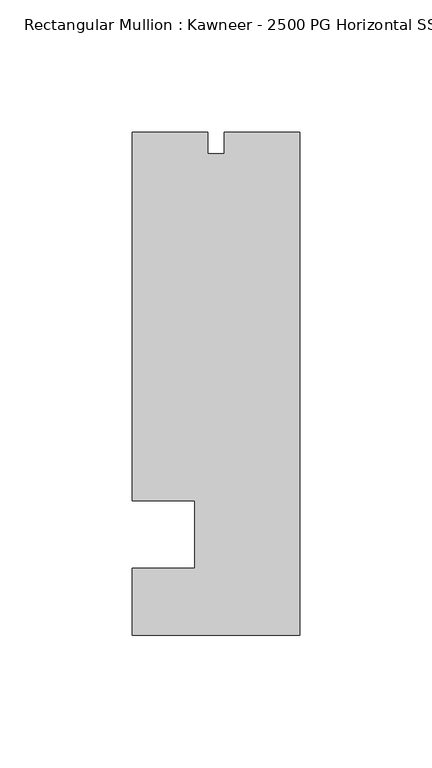
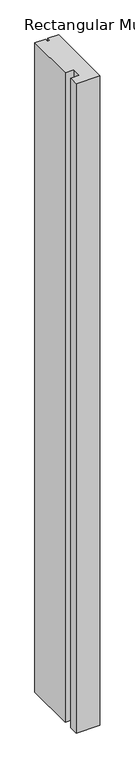
"""IFC4 building model written with IfcOpenShell, lengths in millimetres: member geometry, Rectangular Mullion : Kawneer - 2500 PG Horizontal SSG - Mullion_Jamb L."""

import ifcopenshell
import ifcopenshell.guid

model = None  # the IFC model being written
_history = None  # IfcOwnerHistory: only IFC2X3 demands one
_inside = {}  # id of a spatial element -> (the spatial element, [elements in it])
_under = {}  # id of a project, library or spatial element -> (it, [spatial elements below it])
_declared = {}  # id of a project -> (the project, [libraries it declares])
_typed = {}  # id of a type object -> (the type object, [elements of that type])
_made_of = {}  # id of a material, layer set ... -> (it, [elements and type objects made of it])


def new_model(schema):
    """Start an empty IFC model of exactly this schema.

    Asked for "IFC4X3", IfcOpenShell would pick the latest addendum, in which some entities
    have other attributes; the version numbers below select the first issue.
    IFC2X3 requires an IfcOwnerHistory on every rooted entity: one is made here for all.
    """
    global model, _history
    if schema == "IFC4X3":
        model = ifcopenshell.file(schema_version=(4, 3, 0, 0))
    else:
        model = ifcopenshell.file(schema=schema)
    _inside.clear()
    _under.clear()
    _declared.clear()
    _typed.clear()
    _made_of.clear()
    _history = None
    if model.schema == "IFC2X3":
        org = make("IfcOrganization", Name="unknown")
        user = make(
            "IfcPersonAndOrganization",
            ThePerson=make("IfcPerson", FamilyName="unknown"),
            TheOrganization=org,
        )
        app = make(
            "IfcApplication",
            ApplicationDeveloper=org,
            Version="unknown",
            ApplicationFullName="unknown",
            ApplicationIdentifier="unknown",
        )
        _history = make(
            "IfcOwnerHistory",
            OwningUser=user,
            OwningApplication=app,
            ChangeAction="ADDED",
            CreationDate=0,
        )
    return model


def make(cls, **values):
    """One entity of the class cls with the attributes given. An attribute that is None is left unset."""
    return model.create_entity(
        cls, **{name: value for name, value in values.items() if value is not None}
    )


def rooted(cls, **values):
    """An entity with a GlobalId (a new one), such as an element, a storey or a relation."""
    return make(cls, GlobalId=ifcopenshell.guid.new(), OwnerHistory=_history, **values)


def si_unit(unit_type, name, prefix=None):
    """IfcSIUnit, for example si_unit("LENGTHUNIT", "METRE", prefix="MILLI")."""
    return make("IfcSIUnit", UnitType=unit_type, Prefix=prefix, Name=name)


def assignment(units):
    """IfcUnitAssignment: the units of a project."""
    return None if units is None else make("IfcUnitAssignment", Units=units)


def point(xyz):
    """IfcCartesianPoint."""
    return None if xyz is None else make("IfcCartesianPoint", Coordinates=xyz)


def direction(xyz):
    """IfcDirection."""
    return None if xyz is None else make("IfcDirection", DirectionRatios=xyz)


def frame(location, z_axis=None, x_axis=None):
    """IfcAxis2Placement3D, a coordinate frame: its origin and axes. An axis left out is left unset."""
    return make(
        "IfcAxis2Placement3D",
        Location=point(location),
        Axis=direction(z_axis),
        RefDirection=direction(x_axis),
    )


def origin():
    """The frame at (0, 0, 0) with its axes left unset."""
    return frame((0.0, 0.0, 0.0))


def place(relative_to, where):
    """IfcLocalPlacement: puts the frame where relative to a parent placement (None: the world)."""
    return make(
        "IfcLocalPlacement", PlacementRelTo=relative_to, RelativePlacement=where
    )


def context(
    kind, dimensions, precision=None, world=None, true_north=None, identifier=None
):
    """IfcGeometricRepresentationContext, for example the 3D "Model" context."""
    return make(
        "IfcGeometricRepresentationContext",
        ContextIdentifier=identifier,
        ContextType=kind,
        CoordinateSpaceDimension=dimensions,
        Precision=precision,
        WorldCoordinateSystem=world,
        TrueNorth=true_north,
    )


def project(units=None, contexts=None):
    """IfcProject with its units and contexts."""
    return rooted(
        "IfcProject",
        Name="project",
        RepresentationContexts=contexts,
        UnitsInContext=assignment(units),
    )


def spatial(cls, under=None, at=None, **own):
    """A site, building, storey or space (cls), placed at a placement, below another one or the project."""
    s = rooted(cls, ObjectPlacement=at, **own)
    if under is not None:
        _under.setdefault(under.id(), (under, []))[1].append(s)
    return s


def polyline(points):
    """IfcPolyline through the points."""
    return make("IfcPolyline", Points=[point(p) for p in points])


def outline(outer, holes=None, kind="AREA"):
    """IfcArbitraryClosedProfileDef: a profile drawn as a closed curve; with holes, ...WithVoids."""
    if holes is None:
        return make("IfcArbitraryClosedProfileDef", ProfileType=kind, OuterCurve=outer)
    return make(
        "IfcArbitraryProfileDefWithVoids",
        ProfileType=kind,
        OuterCurve=outer,
        InnerCurves=holes,
    )


def extrude(swept, where, along, depth):
    """IfcExtrudedAreaSolid: the profile swept, set in the frame where, extruded along a direction by depth."""
    return make(
        "IfcExtrudedAreaSolid",
        SweptArea=swept,
        Position=where,
        ExtrudedDirection=direction(along),
        Depth=depth,
    )


def shape(context_of_items, identifier, shape_type, items):
    """IfcShapeRepresentation: the items that make up one representation, for example the "Body"."""
    return make(
        "IfcShapeRepresentation",
        ContextOfItems=context_of_items,
        RepresentationIdentifier=identifier,
        RepresentationType=shape_type,
        Items=items,
    )


def source(mapping_origin, context_of_items, identifier, shape_type, items):
    """IfcRepresentationMap: a shape defined once, which mapped items show again and again."""
    return make(
        "IfcRepresentationMap",
        MappingOrigin=mapping_origin,
        MappedRepresentation=shape(context_of_items, identifier, shape_type, items),
    )


def transform(
    local_origin,
    x_axis=None,
    y_axis=None,
    z_axis=None,
    scale=None,
    scale2=None,
    scale3=None,
    uniform=True,
):
    """IfcCartesianTransformationOperator3D, or its non-uniform kind. x_axis, y_axis, z_axis: its Axis1, 2, 3."""
    if uniform:
        return make(
            "IfcCartesianTransformationOperator3D",
            Axis1=direction(x_axis),
            Axis2=direction(y_axis),
            LocalOrigin=point(local_origin),
            Scale=scale,
            Axis3=direction(z_axis),
        )
    return make(
        "IfcCartesianTransformationOperator3DnonUniform",
        Axis1=direction(x_axis),
        Axis2=direction(y_axis),
        LocalOrigin=point(local_origin),
        Scale=scale,
        Axis3=direction(z_axis),
        Scale2=scale2,
        Scale3=scale3,
    )


def mapped(mapping_source, mapping_target):
    """IfcMappedItem: shows the shape of a source again, moved by a transform."""
    return make(
        "IfcMappedItem", MappingSource=mapping_source, MappingTarget=mapping_target
    )


def made_of(thing, what):
    """Note that an element or type object is made of a material, layer set ...; save() writes the relation."""
    if what is not None:
        _made_of.setdefault(what.id(), (what, []))[1].append(thing)
    return thing


def element(
    cls,
    number,
    at=None,
    inside=None,
    cuts=None,
    type_object=None,
    material=None,
    context=None,
    identifier="Body",
    shape_type=None,
    held_by="IfcProductDefinitionShape",
    body=None,
    shapes=None,
    **own,
):
    """One element of the class cls, such as IfcWall. Its Tag is "e" and its number.

    at: its placement. inside: the storey or other place that contains it. cuts: it is an
    opening in that element (IfcRelVoidsElement). A single representation is given by context,
    identifier, shape_type and body (its items); several are given by shapes. held_by: the class
    of the entity that holds the representations. save() writes the other relations.
    """
    e = rooted(cls, Tag="e%d" % number, ObjectPlacement=at, **own)
    if body is not None:
        shapes = [shape(context, identifier, shape_type, body)]
    if shapes is not None:
        e.Representation = make(held_by, Representations=shapes)
    if inside is not None:
        _inside.setdefault(inside.id(), (inside, []))[1].append(e)
    if cuts is not None:
        rooted(
            "IfcRelVoidsElement", RelatingBuildingElement=cuts, RelatedOpeningElement=e
        )
    if type_object is not None:
        _typed.setdefault(type_object.id(), (type_object, []))[1].append(e)
    return made_of(e, material)


def aggregate(whole, parts):
    """IfcRelAggregates: a whole, such as a stair, and the parts it consists of."""
    return rooted("IfcRelAggregates", RelatingObject=whole, RelatedObjects=parts)


def save(model, path):
    """Write the relations noted so far, then the file.

    IfcRelAggregates (storeys below a building ...), IfcRelContainedInSpatialStructure (elements
    in a storey), IfcRelDefinesByType, IfcRelAssociatesMaterial and IfcRelDeclares: one each for
    every whole, place, type object, material and project.
    """
    for whole, parts in _under.values():
        aggregate(whole, parts)
    for where, things in _inside.values():
        rooted(
            "IfcRelContainedInSpatialStructure",
            RelatedElements=things,
            RelatingStructure=where,
        )
    for kind, things in _typed.values():
        rooted("IfcRelDefinesByType", RelatedObjects=things, RelatingType=kind)
    for what, things in _made_of.values():
        rooted("IfcRelAssociatesMaterial", RelatedObjects=things, RelatingMaterial=what)
    for by, libraries in _declared.values():
        rooted("IfcRelDeclares", RelatingContext=by, RelatedDefinitions=libraries)
    model.write(path)


def rectangular_mullion_kawneer_2500_pg_horizontal_ssg_mullion_a1de6920(model_context):
    return source(origin(), model_context, "Body", "SweptSolid", [
        extrude(outline(polyline([(-63.5, -95.25), (-63.5, -69.85), (-39.6875, -69.85), (-39.6875, -44.45), (-63.5, -44.45), (-63.5, 95.25), (-34.925, 95.25), (-34.925, 86.9442), (-28.575, 86.9442), (-28.575, 95.25), (0.0, 95.25), (0.0, -95.25), (-63.5, -95.25)])), frame((0.0, 0.0, -1837.9100657), z_axis=(0.0, 0.0, 1.0), x_axis=(1.0, 0.0, 0.0)), (0.0, 0.0, 1.0), 1837.9100657),
    ])


if __name__ == "__main__":
    model = new_model("IFC4")
    model_context = context("Model", 3, world=origin())
    ifc_project = project(units=[si_unit("LENGTHUNIT", "METRE", prefix="MILLI")], contexts=[model_context])
    site = spatial("IfcSite", under=ifc_project)
    building = spatial("IfcBuilding", under=site)
    placement = place(None, origin())
    rectangular_mullion_kawneer_2500_pg_horizontal_ssg_mullion_shape = rectangular_mullion_kawneer_2500_pg_horizontal_ssg_mullion_a1de6920(model_context)
    element("IfcMember", 1, ObjectType="Rectangular Mullion : Kawneer - 2500 PG Horizontal SSG - Mullion_Jamb L", at=placement, inside=building, context=model_context, shape_type="MappedRepresentation", body=[
        mapped(rectangular_mullion_kawneer_2500_pg_horizontal_ssg_mullion_shape, transform((0.0, 0.0, 0.0), x_axis=(1.0, 0.0, 0.0), y_axis=(0.0, 1.0, 0.0), z_axis=(0.0, 0.0, 1.0))),
    ])
    save(model, "model.ifc")
